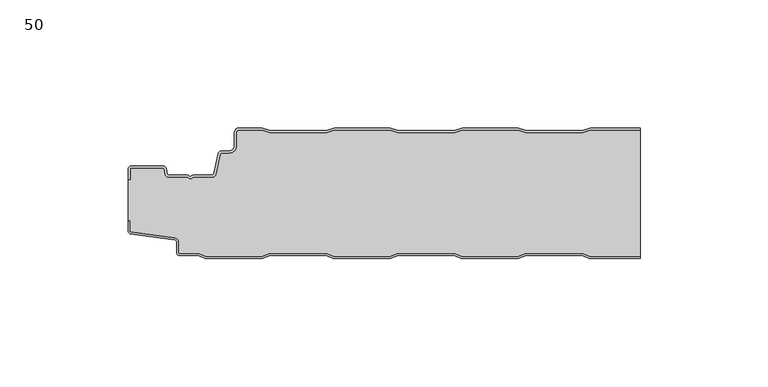
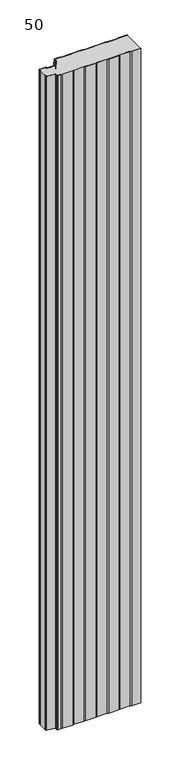
"""IFC4 building model written with IfcOpenShell, lengths in millimetres: plate geometry, 50."""

from ifc_helpers import new_model, si_unit, point, frame_2d, origin, origin_with_axes, place, context, project, spatial, polyline, circle_curve, trimmed, segment, composite_curve, outline, extrude, source, transform, mapped, element, save


def plate_50_09f4793b(model_context):
    return source(origin(), model_context, "Body", "SweptSolid", [
        extrude(outline(composite_curve([segment(trimmed(circle_curve(frame_2d((-98.6, -16.2480681)), 1.4), [point((-100.0, -16.2480681))], [point((-98.6, -14.8480681))], False, "CARTESIAN"), True, "CONTINUOUS"), segment(polyline([(-98.6, -14.8480681), (-86.4969094, -14.8480681)]), True, "CONTINUOUS"), segment(trimmed(circle_curve(frame_2d((-86.4969094, -16.2480681)), 1.4), [point((-86.4969094, -14.8480681))], [point((-85.1275334, -15.9568477))], False, "CARTESIAN"), True, "CONTINUOUS"), segment(polyline([(-85.1275334, -15.9568477), (-84.6878192, -18.0244711)]), True, "CONTINUOUS"), segment(trimmed(circle_curve(frame_2d((-84.1011925, -17.8997153)), 0.5997457), [point((-84.6878192, -18.0244711))], [point((-84.1011925, -18.499461))], True, "CARTESIAN"), True, "CONTINUOUS"), segment(polyline([(-84.1011925, -18.499461), (-76.9006569, -18.499461)]), True, "CONTINUOUS"), segment(trimmed(circle_curve(frame_2d((-76.9006569, -19.799946)), 1.300485), [point((-76.9006569, -18.499461))], [point((-75.9808032, -18.8806362))], False, "CARTESIAN"), True, "CONTINUOUS"), segment(trimmed(circle_curve(frame_2d((-75.5877843, -18.5693125)), 0.5013845), [point((-75.9808032, -18.8806362))], [point((-75.2328971, -18.9234896))], True, "CARTESIAN"), True, "CONTINUOUS"), segment(trimmed(circle_curve(frame_2d((-74.2728751, -19.8002001)), 1.3001013), [point((-75.2328971, -18.9234896))], [point((-74.2728751, -18.5000988))], False, "CARTESIAN"), True, "CONTINUOUS"), segment(polyline([(-74.2728751, -18.5000988), (-67.0728572, -18.5000988)]), True, "CONTINUOUS"), segment(trimmed(circle_curve(frame_2d((-67.0728572, -17.9000522)), 0.6000466), [point((-67.0728572, -18.5000988))], [point((-66.4859224, -18.0248059))], True, "CARTESIAN"), True, "CONTINUOUS"), segment(polyline([(-66.4859224, -18.0248059), (-64.8033928, -10.1089305)]), True, "CONTINUOUS"), segment(trimmed(circle_curve(frame_2d((-63.4339847, -10.4)), 1.4), [point((-64.8033928, -10.1089305))], [point((-63.4339847, -9.0))], False, "CARTESIAN"), True, "CONTINUOUS"), segment(polyline([(-63.4339847, -9.0), (-60.4027062, -9.0)]), True, "CONTINUOUS"), segment(trimmed(circle_curve(frame_2d((-60.4027062, -7.1)), 1.9), [point((-60.4027062, -9.0))], [point((-58.5027062, -7.1))], True, "CARTESIAN"), True, "CONTINUOUS"), segment(polyline([(-58.5027062, -7.1), (-58.5027062, -2.0)]), True, "CONTINUOUS"), segment(trimmed(circle_curve(frame_2d((-56.5027062, -2.0)), 2.0), [point((-58.5027062, -2.0))], [point((-56.5027062, 0.0))], False, "CARTESIAN"), True, "CONTINUOUS"), segment(polyline([(-56.5027062, 0.0), (-47.5017452, 0.0), (-44.5017452, -1.0), (-22.5017452, -1.0), (-19.5017452, 0.0), (2.4982548, 0.0), (5.4982548, -1.0), (27.4982548, -1.0), (30.4982548, 0.0), (52.4982548, 0.0), (55.4982548, -1.0), (77.4982548, -1.0), (80.4982548, 0.0), (100.0, 0.0), (100.0, -0.8), (80.6280769, -0.8), (77.6280769, -1.8), (55.3684327, -1.8), (52.3684327, -0.8), (30.6280769, -0.8), (27.6280769, -1.8), (5.3684327, -1.8), (2.3684327, -0.8), (-19.3719231, -0.8), (-22.3719231, -1.8), (-44.6315673, -1.8), (-47.6315673, -0.8), (-56.5027062, -0.8)]), True, "CONTINUOUS"), segment(trimmed(circle_curve(frame_2d((-56.5027062, -2.0)), 1.2), [point((-56.5027062, -0.8))], [point((-57.7027062, -2.0))], True, "CARTESIAN"), True, "CONTINUOUS"), segment(polyline([(-57.7027062, -2.0), (-57.7027062, -7.1)]), True, "CONTINUOUS"), segment(trimmed(circle_curve(frame_2d((-60.4027062, -7.1)), 2.7), [point((-57.7027062, -7.1))], [point((-60.4027062, -9.8))], False, "CARTESIAN"), True, "CONTINUOUS"), segment(polyline([(-60.4027062, -9.8), (-63.4339847, -9.8)]), True, "CONTINUOUS"), segment(trimmed(circle_curve(frame_2d((-63.4339847, -10.4)), 0.6), [point((-63.4339847, -9.8))], [point((-64.0208733, -10.275253))], True, "CARTESIAN"), True, "CONTINUOUS"), segment(polyline([(-64.0208733, -10.275253), (-65.7034335, -18.1910764)]), True, "CONTINUOUS"), segment(trimmed(circle_curve(frame_2d((-67.0728401, -17.9)), 1.4), [point((-65.7034335, -18.1910764))], [point((-67.0728401, -19.3))], False, "CARTESIAN"), True, "CONTINUOUS"), segment(polyline([(-67.0728401, -19.3), (-74.5122154, -19.3)]), True, "CONTINUOUS"), segment(trimmed(circle_curve(frame_2d((-75.5869697, -18.5686292)), 1.3), [point((-74.5122154, -19.3))], [point((-76.6617239, -19.3))], False, "CARTESIAN"), True, "CONTINUOUS"), segment(polyline([(-76.6617239, -19.3), (-84.1010993, -19.3)]), True, "CONTINUOUS"), segment(trimmed(circle_curve(frame_2d((-84.1010993, -17.9)), 1.4), [point((-84.1010993, -19.3))], [point((-85.4705059, -18.1910764))], False, "CARTESIAN"), True, "CONTINUOUS"), segment(polyline([(-85.4705059, -18.1910764), (-85.9100208, -16.1233211)]), True, "CONTINUOUS"), segment(trimmed(circle_curve(frame_2d((-86.4969094, -16.2480681)), 0.6), [point((-85.9100208, -16.1233211))], [point((-86.4969094, -15.6480681))], True, "CARTESIAN"), True, "CONTINUOUS"), segment(polyline([(-86.4969094, -15.6480681), (-98.6, -15.6480681)]), True, "CONTINUOUS"), segment(trimmed(circle_curve(frame_2d((-98.6, -16.2480681)), 0.6), [point((-98.6, -15.6480681))], [point((-99.2, -16.2480681))], True, "CARTESIAN"), True, "CONTINUOUS"), segment(polyline([(-99.2, -16.2480681), (-99.2, -20.2482392), (-100.0, -20.2482392), (-100.0, -16.2480681)]), True, "CONTINUOUS")], self_intersect=False)), origin_with_axes(), (0.0, 0.0, 1.0), 1500.0),
        extrude(outline(composite_curve([segment(polyline([(-100.0, -36.3232445), (-100.0, -20.2482392), (-99.2, -20.2482392), (-99.2, -16.2480681)]), True, "CONTINUOUS"), segment(trimmed(circle_curve(frame_2d((-98.6, -16.2480681)), 0.6), [point((-99.2, -16.2480681))], [point((-98.6, -15.6480681))], False, "CARTESIAN"), True, "CONTINUOUS"), segment(polyline([(-98.6, -15.6480681), (-86.4969094, -15.6480681)]), True, "CONTINUOUS"), segment(trimmed(circle_curve(frame_2d((-86.4969094, -16.2480681)), 0.6), [point((-86.4969094, -15.6480681))], [point((-85.9100208, -16.1233211))], False, "CARTESIAN"), True, "CONTINUOUS"), segment(polyline([(-85.9100208, -16.1233211), (-85.4705059, -18.1910764)]), True, "CONTINUOUS"), segment(trimmed(circle_curve(frame_2d((-84.1010993, -17.9)), 1.4), [point((-85.4705059, -18.1910764))], [point((-84.1010993, -19.3))], True, "CARTESIAN"), True, "CONTINUOUS"), segment(polyline([(-84.1010993, -19.3), (-76.6617239, -19.3)]), True, "CONTINUOUS"), segment(trimmed(circle_curve(frame_2d((-75.5869697, -18.5686292)), 1.3), [point((-76.6617239, -19.3))], [point((-74.5122154, -19.3))], True, "CARTESIAN"), True, "CONTINUOUS"), segment(polyline([(-74.5122154, -19.3), (-67.0728401, -19.3)]), True, "CONTINUOUS"), segment(trimmed(circle_curve(frame_2d((-67.0728401, -17.9)), 1.4), [point((-67.0728401, -19.3))], [point((-65.7034335, -18.1910764))], True, "CARTESIAN"), True, "CONTINUOUS"), segment(polyline([(-65.7034335, -18.1910764), (-64.0208733, -10.275253)]), True, "CONTINUOUS"), segment(trimmed(circle_curve(frame_2d((-63.4339847, -10.4)), 0.6), [point((-64.0208733, -10.275253))], [point((-63.4339847, -9.8))], False, "CARTESIAN"), True, "CONTINUOUS"), segment(polyline([(-63.4339847, -9.8), (-60.4027062, -9.8)]), True, "CONTINUOUS"), segment(trimmed(circle_curve(frame_2d((-60.4027062, -7.1)), 2.7), [point((-60.4027062, -9.8))], [point((-57.7027062, -7.1))], True, "CARTESIAN"), True, "CONTINUOUS"), segment(polyline([(-57.7027062, -7.1), (-57.7027062, -2.0)]), True, "CONTINUOUS"), segment(trimmed(circle_curve(frame_2d((-56.5027062, -2.0)), 1.2), [point((-57.7027062, -2.0))], [point((-56.5027062, -0.8))], False, "CARTESIAN"), True, "CONTINUOUS"), segment(polyline([(-56.5027062, -0.8), (-47.6315673, -0.8), (-44.6315673, -1.8), (-22.3719231, -1.8), (-19.3719231, -0.8), (2.3684327, -0.8), (5.3684327, -1.8), (27.6280769, -1.8), (30.6280769, -0.8), (52.3684327, -0.8), (55.3684327, -1.8), (77.6280769, -1.8), (80.6280769, -0.8), (100.0, -0.8), (100.0, -50.2), (80.3684327, -50.2), (77.3684327, -49.2), (55.3684327, -49.2), (52.3684327, -50.2), (30.3684327, -50.2), (27.3684327, -49.2), (5.3684327, -49.2), (2.3684327, -50.2), (-19.6315673, -50.2), (-22.6315673, -49.2), (-44.6315673, -49.2), (-47.6315673, -50.2), (-69.6315673, -50.2), (-72.6315673, -49.2), (-79.7, -49.2)]), True, "CONTINUOUS"), segment(trimmed(circle_curve(frame_2d((-79.7, -48.7)), 0.5), [point((-79.7, -49.2))], [point((-80.2, -48.7))], False, "CARTESIAN"), True, "CONTINUOUS"), segment(polyline([(-80.2, -48.7), (-80.2, -44.6035317)]), True, "CONTINUOUS"), segment(trimmed(circle_curve(frame_2d((-81.7, -44.6035317)), 1.5), [point((-80.2, -44.6035317))], [point((-81.4911207, -43.1181464))], True, "CARTESIAN"), True, "CONTINUOUS"), segment(polyline([(-81.4911207, -43.1181464), (-98.6835517, -40.7004962)]), True, "CONTINUOUS"), segment(trimmed(circle_curve(frame_2d((-98.6, -40.1063421)), 0.6), [point((-98.6835517, -40.7004962))], [point((-99.2, -40.1063421))], False, "CARTESIAN"), True, "CONTINUOUS"), segment(polyline([(-99.2, -40.1063421), (-99.2, -36.3232445), (-100.0, -36.3232445)]), True, "CONTINUOUS")], self_intersect=False)), origin_with_axes(), (0.0, 0.0, 1.0), 1500.0),
        extrude(outline(composite_curve([segment(polyline([(-100.0, -36.3232445), (-99.2, -36.3232445), (-99.2, -40.1063421)]), True, "CONTINUOUS"), segment(trimmed(circle_curve(frame_2d((-98.6, -40.1063421)), 0.6), [point((-99.2, -40.1063421))], [point((-98.6835517, -40.7004962))], True, "CARTESIAN"), True, "CONTINUOUS"), segment(polyline([(-98.6835517, -40.7004962), (-81.4911207, -43.1181464)]), True, "CONTINUOUS"), segment(trimmed(circle_curve(frame_2d((-81.7, -44.6035317)), 1.5), [point((-81.4911207, -43.1181464))], [point((-80.2, -44.6035317))], False, "CARTESIAN"), True, "CONTINUOUS"), segment(polyline([(-80.2, -44.6035317), (-80.2, -48.7)]), True, "CONTINUOUS"), segment(trimmed(circle_curve(frame_2d((-79.7, -48.7)), 0.5), [point((-80.2, -48.7))], [point((-79.7, -49.2))], True, "CARTESIAN"), True, "CONTINUOUS"), segment(polyline([(-79.7, -49.2), (-72.6315673, -49.2), (-69.6315673, -50.2), (-47.6315673, -50.2), (-44.6315673, -49.2), (-22.6315673, -49.2), (-19.6315673, -50.2), (2.3684327, -50.2), (5.3684327, -49.2), (27.3684327, -49.2), (30.3684327, -50.2), (52.3684327, -50.2), (55.3684327, -49.2), (77.3684327, -49.2), (80.3684327, -50.2), (100.0, -50.2), (100.0, -51.0), (80.2386105, -51.0), (77.2386105, -50.0), (55.4982548, -50.0), (52.4982548, -51.0), (30.2386105, -51.0), (27.2386105, -50.0), (5.4982548, -50.0), (2.4982548, -51.0), (-19.7613895, -51.0), (-22.7613895, -50.0), (-44.5017452, -50.0), (-47.5017452, -51.0), (-69.7613895, -51.0), (-72.7613895, -50.0), (-79.7, -50.0)]), True, "CONTINUOUS"), segment(trimmed(circle_curve(frame_2d((-79.7, -48.7)), 1.3), [point((-79.7, -50.0))], [point((-81.0, -48.7))], False, "CARTESIAN"), True, "CONTINUOUS"), segment(polyline([(-81.0, -48.7), (-81.0, -44.6035317)]), True, "CONTINUOUS"), segment(trimmed(circle_curve(frame_2d((-81.7, -44.6035317)), 0.7), [point((-81.0, -44.6035317))], [point((-81.602523, -43.9103519))], True, "CARTESIAN"), True, "CONTINUOUS"), segment(polyline([(-81.602523, -43.9103519), (-98.8810287, -41.4805976)]), True, "CONTINUOUS"), segment(trimmed(circle_curve(frame_2d((-98.7, -40.1932637)), 1.3), [point((-98.8810287, -41.4805976))], [point((-100.0, -40.1932637))], False, "CARTESIAN"), True, "CONTINUOUS"), segment(polyline([(-100.0, -40.1932637), (-100.0, -36.3232445)]), True, "CONTINUOUS")], self_intersect=False)), origin_with_axes(), (0.0, 0.0, 1.0), 1500.0),
    ])


if __name__ == "__main__":
    model = new_model("IFC4")
    model_context = context("Model", 3, world=origin())
    ifc_project = project(units=[si_unit("LENGTHUNIT", "METRE", prefix="MILLI")], contexts=[model_context])
    site = spatial("IfcSite", under=ifc_project)
    building = spatial("IfcBuilding", under=site)
    placement = place(None, origin())
    plate_50_shape = plate_50_09f4793b(model_context)
    element("IfcPlate", 1, ObjectType="50", at=placement, inside=building, context=model_context, shape_type="MappedRepresentation", body=[
        mapped(plate_50_shape, transform((0.0, 0.0, 0.0), x_axis=(1.0, 0.0, 0.0), y_axis=(0.0, 1.0, 0.0), z_axis=(0.0, 0.0, 1.0))),
    ])
    save(model, "model.ifc")
